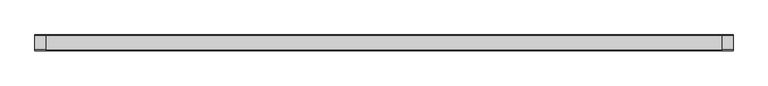
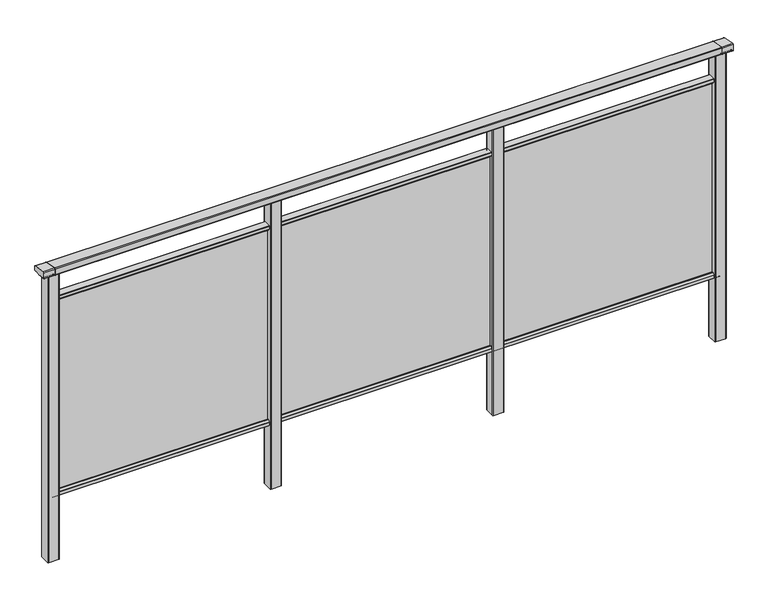
"""IFC4 building model written with IfcOpenShell, lengths in millimetres: railing geometry."""

from ifc_helpers import new_model, si_unit, point, frame, frame_2d, origin, place, context, project, spatial, polyline, circle_curve, trimmed, segment, composite_curve, outline, extrude, source, transform, mapped, element, save
from ifc_brep_helpers import plane_surface, cylinder_surface, advanced_brep


def railing_4c6bd34b(model_context):
    return source(origin(), model_context, "Body", "SolidModel", [
        extrude(outline(composite_curve([segment(polyline([(8429.3630551, 1199.9544233), (8493.3630551, 1188.6694965)]), True, "CONTINUOUS"), segment(trimmed(circle_curve(frame_2d((8492.8421106, 1185.7150732)), 3.0), [point((8493.3630551, 1188.6694965))], [point((8495.8421106, 1185.7150732))], False, "CARTESIAN"), True, "CONTINUOUS"), segment(polyline([(8495.8421106, 1185.7150732), (8495.8421106, 1169.2)]), True, "CONTINUOUS"), segment(trimmed(circle_curve(frame_2d((8492.8421106, 1169.2)), 3.0), [point((8495.8421106, 1169.2))], [point((8492.8421106, 1166.2))], False, "CARTESIAN"), True, "CONTINUOUS"), segment(polyline([(8492.8421106, 1166.2), (8469.17694, 1166.2)]), True, "CONTINUOUS"), segment(trimmed(circle_curve(frame_2d((8460.8500931, 1183.2818957)), 19.003356), [point((8469.17694, 1166.2))], [point((8452.5232463, 1166.2))], False, "CARTESIAN"), True, "CONTINUOUS"), segment(polyline([(8452.5232463, 1166.2), (8428.8421106, 1166.2)]), True, "CONTINUOUS"), segment(trimmed(circle_curve(frame_2d((8428.8421106, 1169.2)), 3.0), [point((8428.8421106, 1166.2))], [point((8425.8421106, 1169.2))], False, "CARTESIAN"), True, "CONTINUOUS"), segment(polyline([(8425.8421106, 1169.2), (8425.8421106, 1197.0)]), True, "CONTINUOUS"), segment(trimmed(circle_curve(frame_2d((8428.8421106, 1197.0)), 3.0), [point((8425.8421106, 1197.0))], [point((8429.3630551, 1199.9544233))], False, "CARTESIAN"), True, "CONTINUOUS")], self_intersect=False)), frame((-428.6053075, 0.0, 0.0), z_axis=(1.0, 0.0, 0.0), x_axis=(0.0, 1.0, 0.0)), (0.0, 0.0, 1.0), 3000.0),
        extrude(outline(composite_curve([segment(polyline([(8476.5508136, 100.0), (8445.1507946, 100.0)]), True, "CONTINUOUS"), segment(trimmed(circle_curve(frame_2d((8445.1507946, 101.8)), 1.8), [point((8445.1507946, 100.0))], [point((8443.3507946, 101.8))], False, "CARTESIAN"), True, "CONTINUOUS"), segment(polyline([(8443.3507946, 101.8), (8443.3507946, 115.5269955)]), True, "CONTINUOUS"), segment(trimmed(circle_curve(frame_2d((8445.1507946, 115.5269955)), 1.8), [point((8443.3507946, 115.5269955))], [point((8443.7923399, 116.7079277))], False, "CARTESIAN"), True, "CONTINUOUS"), segment(polyline([(8443.7923399, 116.7079277), (8450.4626384, 124.3809322)]), True, "CONTINUOUS"), segment(trimmed(circle_curve(frame_2d((8451.8210931, 123.2)), 1.8), [point((8450.4626384, 124.3809322))], [point((8451.8210931, 125.0))], False, "CARTESIAN"), True, "CONTINUOUS"), segment(polyline([(8451.8210931, 125.0), (8455.5111113, 125.0), (8456.809143, 113.0), (8464.8924411, 113.0), (8466.1904978, 125.0), (8469.88054, 125.0)]), True, "CONTINUOUS"), segment(trimmed(circle_curve(frame_2d((8469.88054, 123.2)), 1.8), [point((8469.88054, 125.0))], [point((8471.2389969, 124.3809297))], False, "CARTESIAN"), True, "CONTINUOUS"), segment(polyline([(8471.2389969, 124.3809297), (8477.9092704, 116.7079252)]), True, "CONTINUOUS"), segment(trimmed(circle_curve(frame_2d((8476.5508136, 115.5269955)), 1.8), [point((8477.9092704, 116.7079252))], [point((8478.3508136, 115.5269955))], False, "CARTESIAN"), True, "CONTINUOUS"), segment(polyline([(8478.3508136, 115.5269955), (8478.3508136, 101.8)]), True, "CONTINUOUS"), segment(trimmed(circle_curve(frame_2d((8476.5508136, 101.8)), 1.8), [point((8478.3508136, 101.8))], [point((8476.5508136, 100.0))], False, "CARTESIAN"), True, "CONTINUOUS")], self_intersect=False)), frame((-428.6053075, 0.0, 0.0), z_axis=(1.0, 0.0, 0.0), x_axis=(0.0, 1.0, 0.0)), (0.0, 0.0, 1.0), 3000.0),
        extrude(outline(composite_curve([segment(polyline([(8445.1507946, 1050.0), (8476.5508136, 1050.0)]), True, "CONTINUOUS"), segment(trimmed(circle_curve(frame_2d((8476.5508136, 1048.2)), 1.8), [point((8476.5508136, 1050.0))], [point((8478.3508136, 1048.2))], False, "CARTESIAN"), True, "CONTINUOUS"), segment(polyline([(8478.3508136, 1048.2), (8478.3508136, 1034.4730045)]), True, "CONTINUOUS"), segment(trimmed(circle_curve(frame_2d((8476.5508136, 1034.4730045)), 1.8), [point((8478.3508136, 1034.4730045))], [point((8477.9092704, 1033.2920748))], False, "CARTESIAN"), True, "CONTINUOUS"), segment(polyline([(8477.9092704, 1033.2920748), (8471.2389969, 1025.6190703)]), True, "CONTINUOUS"), segment(trimmed(circle_curve(frame_2d((8469.88054, 1026.8)), 1.8), [point((8471.2389969, 1025.6190703))], [point((8469.88054, 1025.0))], False, "CARTESIAN"), True, "CONTINUOUS"), segment(polyline([(8469.88054, 1025.0), (8466.1904978, 1025.0), (8464.8924411, 1037.0), (8456.809143, 1037.0), (8455.5111113, 1025.0), (8451.8210931, 1025.0)]), True, "CONTINUOUS"), segment(trimmed(circle_curve(frame_2d((8451.8210931, 1026.8)), 1.8), [point((8451.8210931, 1025.0))], [point((8450.4626384, 1025.6190678))], False, "CARTESIAN"), True, "CONTINUOUS"), segment(polyline([(8450.4626384, 1025.6190678), (8443.7923399, 1033.2920723)]), True, "CONTINUOUS"), segment(trimmed(circle_curve(frame_2d((8445.1507946, 1034.4730045)), 1.8), [point((8443.7923399, 1033.2920723))], [point((8443.3507946, 1034.4730045))], False, "CARTESIAN"), True, "CONTINUOUS"), segment(polyline([(8443.3507946, 1034.4730045), (8443.3507946, 1048.2)]), True, "CONTINUOUS"), segment(trimmed(circle_curve(frame_2d((8445.1507946, 1048.2)), 1.8), [point((8443.3507946, 1048.2))], [point((8445.1507946, 1050.0))], False, "CARTESIAN"), True, "CONTINUOUS")], self_intersect=False)), frame((-428.6053075, 0.0, 0.0), z_axis=(1.0, 0.0, 0.0), x_axis=(0.0, 1.0, 0.0)), (0.0, 0.0, 1.0), 3000.0),
        extrude(outline(polyline([(-428.6053075, 8458.8508041), (-428.6053075, 8462.8508041), (2571.3946925, 8462.8508041), (2571.3946925, 8458.8508041), (-428.6053075, 8458.8508041)])), frame((0.0, 0.0, 100.0), z_axis=(0.0, 0.0, 1.0), x_axis=(1.0, 0.0, 0.0)), (0.0, 0.0, 1.0), 940.0),
        extrude(outline(composite_curve([segment(trimmed(circle_curve(frame_2d((1593.7947043, 8483.2508153)), 3.0), [point((1593.794704, 8486.2508153))], [point((1596.7947043, 8483.2508156))], False, "CARTESIAN"), True, "CONTINUOUS"), segment(polyline([(1596.7947043, 8483.2508156), (1596.7947083, 8438.4507926)]), True, "CONTINUOUS"), segment(trimmed(circle_curve(frame_2d((1593.7947083, 8438.4507923)), 3.0), [point((1596.7947083, 8438.4507926))], [point((1593.7947086, 8435.4507923))], False, "CARTESIAN"), True, "CONTINUOUS"), segment(polyline([(1593.7947086, 8435.4507923), (1548.9946856, 8435.4507883)]), True, "CONTINUOUS"), segment(trimmed(circle_curve(frame_2d((1548.9946853, 8438.4507883)), 3.0), [point((1548.9946856, 8435.4507883))], [point((1545.9946853, 8438.450788))], False, "CARTESIAN"), True, "CONTINUOUS"), segment(polyline([(1545.9946853, 8438.450788), (1545.9946813, 8483.250811)]), True, "CONTINUOUS"), segment(trimmed(circle_curve(frame_2d((1548.9946813, 8483.2508113)), 3.0), [point((1545.9946813, 8483.250811))], [point((1548.994681, 8486.2508113))], False, "CARTESIAN"), True, "CONTINUOUS"), segment(polyline([(1548.994681, 8486.2508113), (1593.794704, 8486.2508153)]), True, "CONTINUOUS")], self_intersect=False)), frame((0.0, 0.0, -198.0), z_axis=(0.0, 0.0, 1.0), x_axis=(1.0, 0.0, 0.0)), (0.0, 0.0, 1.0), 1362.2785397),
        extrude(outline(composite_curve([segment(trimmed(circle_curve(frame_2d((593.7947043, 8483.2508153)), 3.0), [point((593.794704, 8486.2508153))], [point((596.7947043, 8483.2508156))], False, "CARTESIAN"), True, "CONTINUOUS"), segment(polyline([(596.7947043, 8483.2508156), (596.7947083, 8438.4507926)]), True, "CONTINUOUS"), segment(trimmed(circle_curve(frame_2d((593.7947083, 8438.4507923)), 3.0), [point((596.7947083, 8438.4507926))], [point((593.7947086, 8435.4507923))], False, "CARTESIAN"), True, "CONTINUOUS"), segment(polyline([(593.7947086, 8435.4507923), (548.9946856, 8435.4507883)]), True, "CONTINUOUS"), segment(trimmed(circle_curve(frame_2d((548.9946853, 8438.4507883)), 3.0), [point((548.9946856, 8435.4507883))], [point((545.9946853, 8438.450788))], False, "CARTESIAN"), True, "CONTINUOUS"), segment(polyline([(545.9946853, 8438.450788), (545.9946813, 8483.250811)]), True, "CONTINUOUS"), segment(trimmed(circle_curve(frame_2d((548.9946813, 8483.2508113)), 3.0), [point((545.9946813, 8483.250811))], [point((548.994681, 8486.2508113))], False, "CARTESIAN"), True, "CONTINUOUS"), segment(polyline([(548.994681, 8486.2508113), (593.794704, 8486.2508153)]), True, "CONTINUOUS")], self_intersect=False)), frame((0.0, 0.0, -198.0), z_axis=(0.0, 0.0, 1.0), x_axis=(1.0, 0.0, 0.0)), (0.0, 0.0, 1.0), 1362.2785397),
        extrude(outline(composite_curve([segment(trimmed(circle_curve(frame_2d((2593.7947043, 8483.2508153)), 3.0), [point((2593.794704, 8486.2508153))], [point((2596.7947043, 8483.2508156))], False, "CARTESIAN"), True, "CONTINUOUS"), segment(polyline([(2596.7947043, 8483.2508156), (2596.7947083, 8438.4507926)]), True, "CONTINUOUS"), segment(trimmed(circle_curve(frame_2d((2593.7947083, 8438.4507923)), 3.0), [point((2596.7947083, 8438.4507926))], [point((2593.7947086, 8435.4507923))], False, "CARTESIAN"), True, "CONTINUOUS"), segment(polyline([(2593.7947086, 8435.4507923), (2548.9946856, 8435.4507883)]), True, "CONTINUOUS"), segment(trimmed(circle_curve(frame_2d((2548.9946853, 8438.4507883)), 3.0), [point((2548.9946856, 8435.4507883))], [point((2545.9946853, 8438.450788))], False, "CARTESIAN"), True, "CONTINUOUS"), segment(polyline([(2545.9946853, 8438.450788), (2545.9946813, 8483.250811)]), True, "CONTINUOUS"), segment(trimmed(circle_curve(frame_2d((2548.9946813, 8483.2508113)), 3.0), [point((2545.9946813, 8483.250811))], [point((2548.994681, 8486.2508113))], False, "CARTESIAN"), True, "CONTINUOUS"), segment(polyline([(2548.994681, 8486.2508113), (2593.794704, 8486.2508153)]), True, "CONTINUOUS")], self_intersect=False)), frame((0.0, 0.0, -198.0), z_axis=(0.0, 0.0, 1.0), x_axis=(1.0, 0.0, 0.0)), (0.0, 0.0, 1.0), 1362.2785397),
        advanced_brep(
        [(2621.3946838, 8429.3630551, 1199.9544233), (2621.3946838, 8425.8421106, 1197.0), (2621.3946838, 8425.8421106, 1169.2), (2621.3946838, 8428.8421106, 1166.2), (2621.3946838, 8433.6920245, 1166.2), (2621.3946838, 8434.5830297, 1166.9730759), (2621.3946838, 8435.1561053, 1166.4000003), (2621.3946838, 8453.2660875, 1166.4000003), (2621.3946838, 8453.8619702, 1165.6106384), (2621.3946838, 8467.8416451, 1165.6114192), (2621.3946838, 8468.4355206, 1166.4000003), (2621.3946838, 8486.5960229, 1166.4000003), (2621.3946838, 8487.0960229, 1166.9000033), (2621.3946838, 8488.0249587, 1166.2), (2621.3946838, 8492.8421106, 1166.2), (2621.3946838, 8495.8421106, 1169.2), (2621.3946838, 8495.8421106, 1185.7150732), (2621.3946838, 8493.3630551, 1188.6694965), (2571.3946838, 8429.3630551, 1199.9544233), (2571.3946838, 8493.3630551, 1188.6694965), (2571.3946838, 8495.8421106, 1185.7150732), (2571.3946838, 8495.8421106, 1169.2), (2571.3946838, 8492.8421106, 1166.2), (2571.3946838, 8488.0249587, 1166.2), (2571.3946838, 8487.0960229, 1166.9000033), (2571.3946838, 8486.5960229, 1166.4000003), (2571.3946838, 8468.4355206, 1166.4000003), (2571.3946838, 8467.8416397, 1165.6114328), (2571.3946838, 8453.8585412, 1165.6114192), (2571.3946838, 8453.2660875, 1166.4000003), (2571.3946838, 8435.1561053, 1166.4000003), (2571.3946838, 8434.5830297, 1166.9730759), (2571.3946838, 8433.6920245, 1166.2), (2571.3946838, 8428.8421106, 1166.2), (2571.3946838, 8425.8421106, 1169.2), (2571.3946838, 8425.8421106, 1197.0)],
        [
            (0, 1, circle_curve(frame((2621.3946838, 8428.8421106, 1197.0), z_axis=(1.0, 0.0, 0.0), x_axis=(0.0, 0.17364817766704857, 0.9848077530121873)), 3.0)),
            (1, 2),
            (2, 3, circle_curve(frame((2621.3946838, 8428.8421106, 1169.2), z_axis=(1.0, 0.0, 0.0), x_axis=(0.0, -1.0, 0.0)), 3.0)),
            (3, 4),
            (4, 5, circle_curve(frame((2621.3946838, 8433.6920245, 1167.1), z_axis=(1.0, 0.0, 0.0), x_axis=(0.0, 0.0, -1.0)), 0.9)),
            (5, 6, circle_curve(frame((2621.3946838, 8435.1561053, 1166.9730759), z_axis=(1.0, 0.0, 0.0), x_axis=(0.0, -1.0, 0.0)), 0.5730756)),
            (6, 7),
            (7, 8, circle_curve(frame((2621.3946838, 8454.2114065, 1166.4940192), z_axis=(1.0, 0.0, 0.0), x_axis=(0.0, -1.0, 0.0)), 0.9499829)),
            (8, 9, circle_curve(frame((2621.3946838, 8460.8500931, 1183.2818957), z_axis=(1.0, 0.0, 0.0), x_axis=(0.0, -1.0, 0.0)), 19.003356)),
            (9, 10, circle_curve(frame((2621.3946838, 8467.4902016, 1166.4940192), z_axis=(1.0, 0.0, 0.0), x_axis=(0.0, 1.0, 0.0)), 0.9499829)),
            (10, 11),
            (11, 12, circle_curve(frame((2621.3946838, 8486.5960229, 1166.9000003), z_axis=(1.0, 0.0, 0.0), x_axis=(0.0, 0.0, -1.0)), 0.5)),
            (12, 13, circle_curve(frame((2621.3946838, 8488.0072204, 1167.1428319), z_axis=(1.0, 0.0, 0.0), x_axis=(0.0, -1.0, 0.0)), 0.9429987)),
            (13, 14),
            (14, 15, circle_curve(frame((2621.3946838, 8492.8421106, 1169.2), z_axis=(1.0, 0.0, 0.0), x_axis=(0.0, 0.0, -1.0)), 3.0)),
            (15, 16),
            (16, 17, circle_curve(frame((2621.3946838, 8492.8421106, 1185.7150732), z_axis=(1.0, 0.0, 0.0), x_axis=(0.0, 1.0, 0.0)), 3.0)),
            (17, 0),
            (18, 19),
            (19, 20, circle_curve(frame((2571.3946838, 8492.8421106, 1185.7150732), z_axis=(-1.0, 0.0, 0.0), x_axis=(0.0, 1.0, 0.0)), 3.0)),
            (20, 21),
            (21, 22, circle_curve(frame((2571.3946838, 8492.8421106, 1169.2), z_axis=(-1.0, 0.0, 0.0), x_axis=(0.0, 0.0, -1.0)), 3.0)),
            (22, 23),
            (23, 24, circle_curve(frame((2571.3946838, 8488.0072204, 1167.1428319), z_axis=(-1.0, 0.0, 0.0), x_axis=(0.0, -1.0, 0.0)), 0.9429987)),
            (24, 25, circle_curve(frame((2571.3946838, 8486.5960229, 1166.9000003), z_axis=(-1.0, 0.0, 0.0), x_axis=(0.0, 0.0, -1.0)), 0.5)),
            (25, 26),
            (26, 27, circle_curve(frame((2571.3946838, 8467.4902016, 1166.4940192), z_axis=(-1.0, 0.0, 0.0), x_axis=(0.0, 1.0, 0.0)), 0.9499829)),
            (27, 28, circle_curve(frame((2571.3946838, 8460.8500931, 1183.2818957), z_axis=(-1.0, 0.0, 0.0), x_axis=(0.0, -1.0, 0.0)), 19.003356)),
            (28, 29, circle_curve(frame((2571.3946838, 8454.2114065, 1166.4940192), z_axis=(-1.0, 0.0, 0.0), x_axis=(0.0, -1.0, 0.0)), 0.9499829)),
            (29, 30),
            (30, 31, circle_curve(frame((2571.3946838, 8435.1561053, 1166.9730759), z_axis=(-1.0, 0.0, 0.0), x_axis=(0.0, -1.0, 0.0)), 0.5730756)),
            (31, 32, circle_curve(frame((2571.3946838, 8433.6920245, 1167.1), z_axis=(-1.0, 0.0, 0.0), x_axis=(0.0, 0.0, -1.0)), 0.9)),
            (32, 33),
            (33, 34, circle_curve(frame((2571.3946838, 8428.8421106, 1169.2), z_axis=(-1.0, 0.0, 0.0), x_axis=(0.0, -1.0, 0.0)), 3.0)),
            (34, 35),
            (35, 18, circle_curve(frame((2571.3946838, 8428.8421106, 1197.0), z_axis=(-1.0, 0.0, 0.0), x_axis=(0.0, 0.17364817766704857, 0.9848077530121873)), 3.0)),
            (0, 18),
            (35, 1),
            (34, 2),
            (33, 3),
            (32, 4),
            (31, 5),
            (30, 6),
            (29, 7),
            (28, 8),
            (27, 9),
            (26, 10),
            (25, 11),
            (24, 12),
            (23, 13),
            (22, 14),
            (21, 15),
            (20, 16),
            (19, 17),
        ],
        [
            plane_surface(frame((2621.3946838, 8460.8508041, 1200.0), z_axis=(1.0, 0.0, 0.0), x_axis=(0.0, 1.0, 0.0))),
            plane_surface(frame((2571.3946838, 8460.8508041, 1200.0), z_axis=(-1.0, 0.0, 0.0), x_axis=(0.0, 1.0, 0.0))),
            cylinder_surface(frame((2621.3946838, 8428.8421106, 1197.0), z_axis=(1.0, 0.0, 0.0), x_axis=(0.0, 0.17364817766704857, 0.9848077530121873)), 3.0),
            plane_surface(frame((2621.3946838, 8425.8421106, 1197.0), z_axis=(0.0, -1.0, 0.0), x_axis=(-1.0, 0.0, 0.0))),
            cylinder_surface(frame((2621.3946838, 8428.8421106, 1169.2), z_axis=(1.0, 0.0, 0.0), x_axis=(0.0, -1.0, 0.0)), 3.0),
            plane_surface(frame((2621.3946838, 8428.8421106, 1166.2), z_axis=(0.0, 0.0, -1.0), x_axis=(-1.0, 0.0, 0.0))),
            cylinder_surface(frame((2621.3946838, 8433.6920245, 1167.1), z_axis=(1.0, 0.0, 0.0), x_axis=(0.0, 0.0, -1.0)), 0.9),
            cylinder_surface(frame((2621.3946838, 8435.1561053, 1166.9730759), z_axis=(1.0, 0.0, 0.0), x_axis=(0.0, -1.0, 0.0)), 0.5730756),
            plane_surface(frame((2621.3946838, 8435.1561053, 1166.4000003), z_axis=(0.0, 0.0, -1.0), x_axis=(-1.0, 0.0, 0.0))),
            cylinder_surface(frame((2621.3946838, 8454.2114065, 1166.4940192), z_axis=(1.0, 0.0, 0.0), x_axis=(0.0, -1.0, 0.0)), 0.9499829),
            cylinder_surface(frame((2621.3946838, 8460.8500931, 1183.2818957), z_axis=(1.0, 0.0, 0.0), x_axis=(0.0, -1.0, 0.0)), 19.003356),
            cylinder_surface(frame((2621.3946838, 8467.4902016, 1166.4940192), z_axis=(1.0, 0.0, 0.0), x_axis=(0.0, 1.0, 0.0)), 0.9499829),
            plane_surface(frame((2621.3946838, 8468.4355206, 1166.4000003), z_axis=(0.0, 0.0, -1.0), x_axis=(-1.0, 0.0, 0.0))),
            cylinder_surface(frame((2621.3946838, 8486.5960229, 1166.9000003), z_axis=(1.0, 0.0, 0.0), x_axis=(0.0, 0.0, -1.0)), 0.5),
            cylinder_surface(frame((2621.3946838, 8488.0072204, 1167.1428319), z_axis=(1.0, 0.0, 0.0), x_axis=(0.0, -1.0, 0.0)), 0.9429987),
            plane_surface(frame((2621.3946838, 8488.0249587, 1166.2), z_axis=(0.0, 0.0, -1.0), x_axis=(-1.0, 0.0, 0.0))),
            cylinder_surface(frame((2621.3946838, 8492.8421106, 1169.2), z_axis=(1.0, 0.0, 0.0), x_axis=(0.0, 0.0, -1.0)), 3.0),
            plane_surface(frame((2621.3946838, 8495.8421106, 1169.2), z_axis=(0.0, 1.0, 0.0), x_axis=(-1.0, 0.0, 0.0))),
            cylinder_surface(frame((2621.3946838, 8492.8421106, 1185.7150732), z_axis=(1.0, 0.0, 0.0), x_axis=(0.0, 1.0, 0.0)), 3.0),
            plane_surface(frame((2621.3946838, 8493.3630551, 1188.6694965), z_axis=(0.0, 0.1736481776669561, 0.9848077530122036), x_axis=(-1.0, 0.0, 0.0))),
        ],
        [
            (0, [[1, 2, 3, 4, 5, 6, 7, 8, 9, 10, 11, 12, 13, 14, 15, 16, 17, 18]]),
            (1, [[19, 20, 21, 22, 23, 24, 25, 26, 27, 28, 29, 30, 31, 32, 33, 34, 35, 36]]),
            (2, [[-1, 37, -36, 38]]),
            (3, [[-2, -38, -35, 39]]),
            (4, [[-3, -39, -34, 40]]),
            (5, [[-4, -40, -33, 41]]),
            (6, [[-5, -41, -32, 42]]),
            (7, [[-6, -42, -31, 43]]),
            (8, [[-7, -43, -30, 44]]),
            (9, [[-8, -44, -29, 45]]),
            (10, [[-9, -45, -28, 46]]),
            (11, [[-10, -46, -27, 47]]),
            (12, [[-11, -47, -26, 48]]),
            (13, [[-12, -48, -25, 49]]),
            (14, [[-13, -49, -24, 50]]),
            (15, [[-14, -50, -23, 51]]),
            (16, [[-15, -51, -22, 52]]),
            (17, [[-16, -52, -21, 53]]),
            (18, [[-17, -53, -20, 54]]),
            (19, [[-18, -54, -19, -37]]),
        ],
    ),
        extrude(outline(composite_curve([segment(trimmed(circle_curve(frame_2d((-406.2052957, 8483.2508153)), 3.0), [point((-406.205296, 8486.2508153))], [point((-403.2052957, 8483.2508156))], False, "CARTESIAN"), True, "CONTINUOUS"), segment(polyline([(-403.2052957, 8483.2508156), (-403.2052917, 8438.4507926)]), True, "CONTINUOUS"), segment(trimmed(circle_curve(frame_2d((-406.2052917, 8438.4507923)), 3.0), [point((-403.2052917, 8438.4507926))], [point((-406.2052914, 8435.4507923))], False, "CARTESIAN"), True, "CONTINUOUS"), segment(polyline([(-406.2052914, 8435.4507923), (-451.0053144, 8435.4507883)]), True, "CONTINUOUS"), segment(trimmed(circle_curve(frame_2d((-451.0053147, 8438.4507883)), 3.0), [point((-451.0053144, 8435.4507883))], [point((-454.0053147, 8438.450788))], False, "CARTESIAN"), True, "CONTINUOUS"), segment(polyline([(-454.0053147, 8438.450788), (-454.0053187, 8483.250811)]), True, "CONTINUOUS"), segment(trimmed(circle_curve(frame_2d((-451.0053187, 8483.2508113)), 3.0), [point((-454.0053187, 8483.250811))], [point((-451.005319, 8486.2508113))], False, "CARTESIAN"), True, "CONTINUOUS"), segment(polyline([(-451.005319, 8486.2508113), (-406.205296, 8486.2508153)]), True, "CONTINUOUS")], self_intersect=False)), frame((0.0, 0.0, -198.0), z_axis=(0.0, 0.0, 1.0), x_axis=(1.0, 0.0, 0.0)), (0.0, 0.0, 1.0), 1362.2785397),
        advanced_brep(
        [(-428.6053162, 8429.3630551, 1199.9544233), (-428.6053162, 8425.8421106, 1197.0), (-428.6053162, 8425.8421106, 1169.2), (-428.6053162, 8428.8421106, 1166.2), (-428.6053162, 8433.6920245, 1166.2), (-428.6053162, 8434.5830297, 1166.9730759), (-428.6053162, 8435.1561053, 1166.4000003), (-428.6053162, 8453.2660875, 1166.4000003), (-428.6053162, 8453.8619702, 1165.6106384), (-428.6053162, 8467.8416451, 1165.6114192), (-428.6053162, 8468.4355206, 1166.4000003), (-428.6053162, 8486.5960229, 1166.4000003), (-428.6053162, 8487.0960229, 1166.9000033), (-428.6053162, 8488.0249587, 1166.2), (-428.6053162, 8492.8421106, 1166.2), (-428.6053162, 8495.8421106, 1169.2), (-428.6053162, 8495.8421106, 1185.7150732), (-428.6053162, 8493.3630551, 1188.6694965), (-478.6053162, 8429.3630551, 1199.9544233), (-478.6053162, 8493.3630551, 1188.6694965), (-478.6053162, 8495.8421106, 1185.7150732), (-478.6053162, 8495.8421106, 1169.2), (-478.6053162, 8492.8421106, 1166.2), (-478.6053162, 8488.0249587, 1166.2), (-478.6053162, 8487.0960229, 1166.9000033), (-478.6053162, 8486.5960229, 1166.4000003), (-478.6053162, 8468.4355206, 1166.4000003), (-478.6053162, 8467.8416397, 1165.6114328), (-478.6053162, 8453.8585412, 1165.6114192), (-478.6053162, 8453.2660875, 1166.4000003), (-478.6053162, 8435.1561053, 1166.4000003), (-478.6053162, 8434.5830297, 1166.9730759), (-478.6053162, 8433.6920245, 1166.2), (-478.6053162, 8428.8421106, 1166.2), (-478.6053162, 8425.8421106, 1169.2), (-478.6053162, 8425.8421106, 1197.0)],
        [
            (0, 1, circle_curve(frame((-428.6053162, 8428.8421106, 1197.0), z_axis=(1.0, 0.0, 0.0), x_axis=(0.0, 0.17364817766704857, 0.9848077530121873)), 3.0)),
            (1, 2),
            (2, 3, circle_curve(frame((-428.6053162, 8428.8421106, 1169.2), z_axis=(1.0, 0.0, 0.0), x_axis=(0.0, -1.0, 0.0)), 3.0)),
            (3, 4),
            (4, 5, circle_curve(frame((-428.6053162, 8433.6920245, 1167.1), z_axis=(1.0, 0.0, 0.0), x_axis=(0.0, 0.0, -1.0)), 0.9)),
            (5, 6, circle_curve(frame((-428.6053162, 8435.1561053, 1166.9730759), z_axis=(1.0, 0.0, 0.0), x_axis=(0.0, -1.0, 0.0)), 0.5730756)),
            (6, 7),
            (7, 8, circle_curve(frame((-428.6053162, 8454.2114065, 1166.4940192), z_axis=(1.0, 0.0, 0.0), x_axis=(0.0, -1.0, 0.0)), 0.9499829)),
            (8, 9, circle_curve(frame((-428.6053162, 8460.8500931, 1183.2818957), z_axis=(1.0, 0.0, 0.0), x_axis=(0.0, -1.0, 0.0)), 19.003356)),
            (9, 10, circle_curve(frame((-428.6053162, 8467.4902016, 1166.4940192), z_axis=(1.0, 0.0, 0.0), x_axis=(0.0, 1.0, 0.0)), 0.9499829)),
            (10, 11),
            (11, 12, circle_curve(frame((-428.6053162, 8486.5960229, 1166.9000003), z_axis=(1.0, 0.0, 0.0), x_axis=(0.0, 0.0, -1.0)), 0.5)),
            (12, 13, circle_curve(frame((-428.6053162, 8488.0072204, 1167.1428319), z_axis=(1.0, 0.0, 0.0), x_axis=(0.0, -1.0, 0.0)), 0.9429987)),
            (13, 14),
            (14, 15, circle_curve(frame((-428.6053162, 8492.8421106, 1169.2), z_axis=(1.0, 0.0, 0.0), x_axis=(0.0, 0.0, -1.0)), 3.0)),
            (15, 16),
            (16, 17, circle_curve(frame((-428.6053162, 8492.8421106, 1185.7150732), z_axis=(1.0, 0.0, 0.0), x_axis=(0.0, 1.0, 0.0)), 3.0)),
            (17, 0),
            (18, 19),
            (19, 20, circle_curve(frame((-478.6053162, 8492.8421106, 1185.7150732), z_axis=(-1.0, 0.0, 0.0), x_axis=(0.0, 1.0, 0.0)), 3.0)),
            (20, 21),
            (21, 22, circle_curve(frame((-478.6053162, 8492.8421106, 1169.2), z_axis=(-1.0, 0.0, 0.0), x_axis=(0.0, 0.0, -1.0)), 3.0)),
            (22, 23),
            (23, 24, circle_curve(frame((-478.6053162, 8488.0072204, 1167.1428319), z_axis=(-1.0, 0.0, 0.0), x_axis=(0.0, -1.0, 0.0)), 0.9429987)),
            (24, 25, circle_curve(frame((-478.6053162, 8486.5960229, 1166.9000003), z_axis=(-1.0, 0.0, 0.0), x_axis=(0.0, 0.0, -1.0)), 0.5)),
            (25, 26),
            (26, 27, circle_curve(frame((-478.6053162, 8467.4902016, 1166.4940192), z_axis=(-1.0, 0.0, 0.0), x_axis=(0.0, 1.0, 0.0)), 0.9499829)),
            (27, 28, circle_curve(frame((-478.6053162, 8460.8500931, 1183.2818957), z_axis=(-1.0, 0.0, 0.0), x_axis=(0.0, -1.0, 0.0)), 19.003356)),
            (28, 29, circle_curve(frame((-478.6053162, 8454.2114065, 1166.4940192), z_axis=(-1.0, 0.0, 0.0), x_axis=(0.0, -1.0, 0.0)), 0.9499829)),
            (29, 30),
            (30, 31, circle_curve(frame((-478.6053162, 8435.1561053, 1166.9730759), z_axis=(-1.0, 0.0, 0.0), x_axis=(0.0, -1.0, 0.0)), 0.5730756)),
            (31, 32, circle_curve(frame((-478.6053162, 8433.6920245, 1167.1), z_axis=(-1.0, 0.0, 0.0), x_axis=(0.0, 0.0, -1.0)), 0.9)),
            (32, 33),
            (33, 34, circle_curve(frame((-478.6053162, 8428.8421106, 1169.2), z_axis=(-1.0, 0.0, 0.0), x_axis=(0.0, -1.0, 0.0)), 3.0)),
            (34, 35),
            (35, 18, circle_curve(frame((-478.6053162, 8428.8421106, 1197.0), z_axis=(-1.0, 0.0, 0.0), x_axis=(0.0, 0.17364817766704857, 0.9848077530121873)), 3.0)),
            (0, 18),
            (35, 1),
            (34, 2),
            (33, 3),
            (32, 4),
            (31, 5),
            (30, 6),
            (29, 7),
            (28, 8),
            (27, 9),
            (26, 10),
            (25, 11),
            (24, 12),
            (23, 13),
            (22, 14),
            (21, 15),
            (20, 16),
            (19, 17),
        ],
        [
            plane_surface(frame((-428.6053162, 8460.8508041, 1200.0), z_axis=(1.0, 0.0, 0.0), x_axis=(0.0, 1.0, 0.0))),
            plane_surface(frame((-478.6053162, 8460.8508041, 1200.0), z_axis=(-1.0, 0.0, 0.0), x_axis=(0.0, 1.0, 0.0))),
            cylinder_surface(frame((-428.6053162, 8428.8421106, 1197.0), z_axis=(1.0, 0.0, 0.0), x_axis=(0.0, 0.17364817766704857, 0.9848077530121873)), 3.0),
            plane_surface(frame((-428.6053162, 8425.8421106, 1197.0), z_axis=(0.0, -1.0, 0.0), x_axis=(-1.0, 0.0, 0.0))),
            cylinder_surface(frame((-428.6053162, 8428.8421106, 1169.2), z_axis=(1.0, 0.0, 0.0), x_axis=(0.0, -1.0, 0.0)), 3.0),
            plane_surface(frame((-428.6053162, 8428.8421106, 1166.2), z_axis=(0.0, 0.0, -1.0), x_axis=(-1.0, 0.0, 0.0))),
            cylinder_surface(frame((-428.6053162, 8433.6920245, 1167.1), z_axis=(1.0, 0.0, 0.0), x_axis=(0.0, 0.0, -1.0)), 0.9),
            cylinder_surface(frame((-428.6053162, 8435.1561053, 1166.9730759), z_axis=(1.0, 0.0, 0.0), x_axis=(0.0, -1.0, 0.0)), 0.5730756),
            plane_surface(frame((-428.6053162, 8435.1561053, 1166.4000003), z_axis=(0.0, 0.0, -1.0), x_axis=(-1.0, 0.0, 0.0))),
            cylinder_surface(frame((-428.6053162, 8454.2114065, 1166.4940192), z_axis=(1.0, 0.0, 0.0), x_axis=(0.0, -1.0, 0.0)), 0.9499829),
            cylinder_surface(frame((-428.6053162, 8460.8500931, 1183.2818957), z_axis=(1.0, 0.0, 0.0), x_axis=(0.0, -1.0, 0.0)), 19.003356),
            cylinder_surface(frame((-428.6053162, 8467.4902016, 1166.4940192), z_axis=(1.0, 0.0, 0.0), x_axis=(0.0, 1.0, 0.0)), 0.9499829),
            plane_surface(frame((-428.6053162, 8468.4355206, 1166.4000003), z_axis=(0.0, 0.0, -1.0), x_axis=(-1.0, 0.0, 0.0))),
            cylinder_surface(frame((-428.6053162, 8486.5960229, 1166.9000003), z_axis=(1.0, 0.0, 0.0), x_axis=(0.0, 0.0, -1.0)), 0.5),
            cylinder_surface(frame((-428.6053162, 8488.0072204, 1167.1428319), z_axis=(1.0, 0.0, 0.0), x_axis=(0.0, -1.0, 0.0)), 0.9429987),
            plane_surface(frame((-428.6053162, 8488.0249587, 1166.2), z_axis=(0.0, 0.0, -1.0), x_axis=(-1.0, 0.0, 0.0))),
            cylinder_surface(frame((-428.6053162, 8492.8421106, 1169.2), z_axis=(1.0, 0.0, 0.0), x_axis=(0.0, 0.0, -1.0)), 3.0),
            plane_surface(frame((-428.6053162, 8495.8421106, 1169.2), z_axis=(0.0, 1.0, 0.0), x_axis=(-1.0, 0.0, 0.0))),
            cylinder_surface(frame((-428.6053162, 8492.8421106, 1185.7150732), z_axis=(1.0, 0.0, 0.0), x_axis=(0.0, 1.0, 0.0)), 3.0),
            plane_surface(frame((-428.6053162, 8493.3630551, 1188.6694965), z_axis=(0.0, 0.1736481776669561, 0.9848077530122036), x_axis=(-1.0, 0.0, 0.0))),
        ],
        [
            (0, [[1, 2, 3, 4, 5, 6, 7, 8, 9, 10, 11, 12, 13, 14, 15, 16, 17, 18]]),
            (1, [[19, 20, 21, 22, 23, 24, 25, 26, 27, 28, 29, 30, 31, 32, 33, 34, 35, 36]]),
            (2, [[-1, 37, -36, 38]]),
            (3, [[-2, -38, -35, 39]]),
            (4, [[-3, -39, -34, 40]]),
            (5, [[-4, -40, -33, 41]]),
            (6, [[-5, -41, -32, 42]]),
            (7, [[-6, -42, -31, 43]]),
            (8, [[-7, -43, -30, 44]]),
            (9, [[-8, -44, -29, 45]]),
            (10, [[-9, -45, -28, 46]]),
            (11, [[-10, -46, -27, 47]]),
            (12, [[-11, -47, -26, 48]]),
            (13, [[-12, -48, -25, 49]]),
            (14, [[-13, -49, -24, 50]]),
            (15, [[-14, -50, -23, 51]]),
            (16, [[-15, -51, -22, 52]]),
            (17, [[-16, -52, -21, 53]]),
            (18, [[-17, -53, -20, 54]]),
            (19, [[-18, -54, -19, -37]]),
        ],
    ),
    ])


if __name__ == "__main__":
    model = new_model("IFC4")
    model_context = context("Model", 3, world=origin())
    ifc_project = project(units=[si_unit("LENGTHUNIT", "METRE", prefix="MILLI")], contexts=[model_context])
    site = spatial("IfcSite", under=ifc_project)
    building = spatial("IfcBuilding", under=site)
    placement = place(None, origin())
    railing_shape = railing_4c6bd34b(model_context)
    element("IfcRailing", 1, at=placement, inside=building, context=model_context, shape_type="MappedRepresentation", body=[
        mapped(railing_shape, transform((0.0, 0.0, 0.0), x_axis=(1.0, 0.0, 0.0), y_axis=(0.0, 1.0, 0.0), z_axis=(0.0, 0.0, 1.0))),
    ])
    save(model, "model.ifc")
